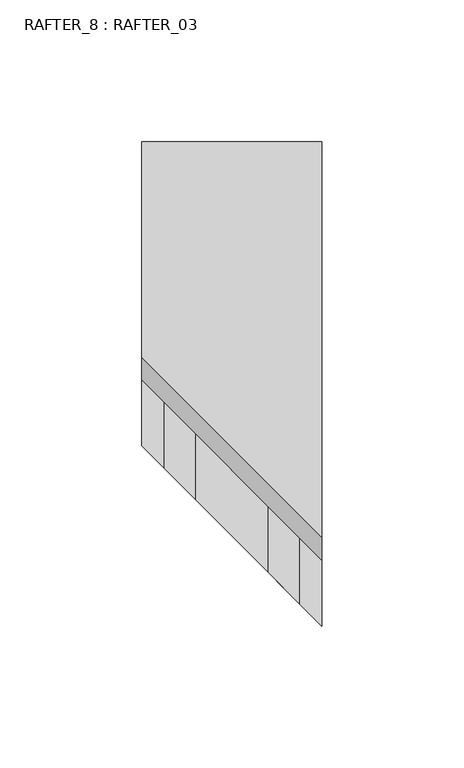
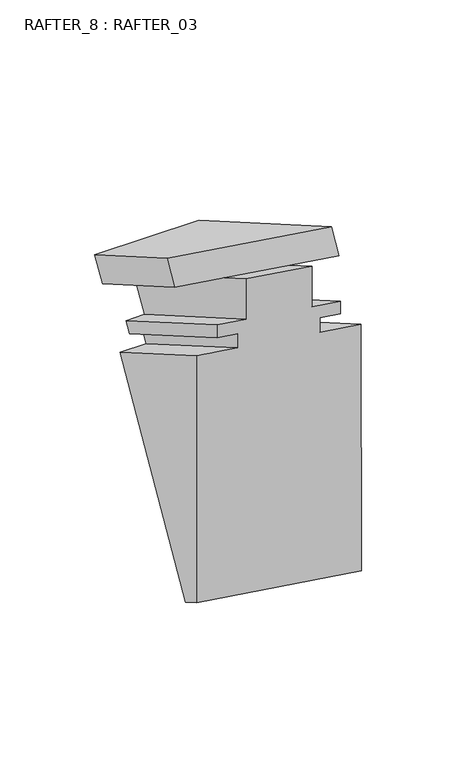
"""IFC4 building model written with IfcOpenShell, lengths in millimetres: proxy geometry, RAFTER_8 : RAFTER_03."""

import ifcopenshell
import ifcopenshell.guid

model = None  # the IFC model being written
_history = None  # IfcOwnerHistory: only IFC2X3 demands one
_inside = {}  # id of a spatial element -> (the spatial element, [elements in it])
_under = {}  # id of a project, library or spatial element -> (it, [spatial elements below it])
_declared = {}  # id of a project -> (the project, [libraries it declares])
_typed = {}  # id of a type object -> (the type object, [elements of that type])
_made_of = {}  # id of a material, layer set ... -> (it, [elements and type objects made of it])


def new_model(schema):
    """Start an empty IFC model of exactly this schema.

    Asked for "IFC4X3", IfcOpenShell would pick the latest addendum, in which some entities
    have other attributes; the version numbers below select the first issue.
    IFC2X3 requires an IfcOwnerHistory on every rooted entity: one is made here for all.
    """
    global model, _history
    if schema == "IFC4X3":
        model = ifcopenshell.file(schema_version=(4, 3, 0, 0))
    else:
        model = ifcopenshell.file(schema=schema)
    _inside.clear()
    _under.clear()
    _declared.clear()
    _typed.clear()
    _made_of.clear()
    _history = None
    if model.schema == "IFC2X3":
        org = make("IfcOrganization", Name="unknown")
        user = make(
            "IfcPersonAndOrganization",
            ThePerson=make("IfcPerson", FamilyName="unknown"),
            TheOrganization=org,
        )
        app = make(
            "IfcApplication",
            ApplicationDeveloper=org,
            Version="unknown",
            ApplicationFullName="unknown",
            ApplicationIdentifier="unknown",
        )
        _history = make(
            "IfcOwnerHistory",
            OwningUser=user,
            OwningApplication=app,
            ChangeAction="ADDED",
            CreationDate=0,
        )
    return model


def make(cls, **values):
    """One entity of the class cls with the attributes given. An attribute that is None is left unset."""
    return model.create_entity(
        cls, **{name: value for name, value in values.items() if value is not None}
    )


def rooted(cls, **values):
    """An entity with a GlobalId (a new one), such as an element, a storey or a relation."""
    return make(cls, GlobalId=ifcopenshell.guid.new(), OwnerHistory=_history, **values)


def si_unit(unit_type, name, prefix=None):
    """IfcSIUnit, for example si_unit("LENGTHUNIT", "METRE", prefix="MILLI")."""
    return make("IfcSIUnit", UnitType=unit_type, Prefix=prefix, Name=name)


def assignment(units):
    """IfcUnitAssignment: the units of a project."""
    return None if units is None else make("IfcUnitAssignment", Units=units)


def point(xyz):
    """IfcCartesianPoint."""
    return None if xyz is None else make("IfcCartesianPoint", Coordinates=xyz)


def direction(xyz):
    """IfcDirection."""
    return None if xyz is None else make("IfcDirection", DirectionRatios=xyz)


def frame(location, z_axis=None, x_axis=None):
    """IfcAxis2Placement3D, a coordinate frame: its origin and axes. An axis left out is left unset."""
    return make(
        "IfcAxis2Placement3D",
        Location=point(location),
        Axis=direction(z_axis),
        RefDirection=direction(x_axis),
    )


def origin():
    """The frame at (0, 0, 0) with its axes left unset."""
    return frame((0.0, 0.0, 0.0))


def place(relative_to, where):
    """IfcLocalPlacement: puts the frame where relative to a parent placement (None: the world)."""
    return make(
        "IfcLocalPlacement", PlacementRelTo=relative_to, RelativePlacement=where
    )


def context(
    kind, dimensions, precision=None, world=None, true_north=None, identifier=None
):
    """IfcGeometricRepresentationContext, for example the 3D "Model" context."""
    return make(
        "IfcGeometricRepresentationContext",
        ContextIdentifier=identifier,
        ContextType=kind,
        CoordinateSpaceDimension=dimensions,
        Precision=precision,
        WorldCoordinateSystem=world,
        TrueNorth=true_north,
    )


def project(units=None, contexts=None):
    """IfcProject with its units and contexts."""
    return rooted(
        "IfcProject",
        Name="project",
        RepresentationContexts=contexts,
        UnitsInContext=assignment(units),
    )


def spatial(cls, under=None, at=None, **own):
    """A site, building, storey or space (cls), placed at a placement, below another one or the project."""
    s = rooted(cls, ObjectPlacement=at, **own)
    if under is not None:
        _under.setdefault(under.id(), (under, []))[1].append(s)
    return s


def faces_of(points, faces, orient=None, outer=None):
    """IfcFace entities. A face is a list of loops; a loop is a list of indices into points, from 0.

    orient and outer hold one flag for each loop. By default every Orientation is true, the
    first loop of a face is its IfcFaceOuterBound and the others are IfcFaceBound.
    """
    made = []
    for i, loops in enumerate(faces):
        bounds = []
        for j, loop in enumerate(loops):
            is_outer = j == 0 if outer is None else outer[i][j]
            bounds.append(
                make(
                    "IfcFaceOuterBound" if is_outer else "IfcFaceBound",
                    Bound=make("IfcPolyLoop", Polygon=[points[k] for k in loop]),
                    Orientation=True if orient is None else orient[i][j],
                )
            )
        made.append(make("IfcFace", Bounds=bounds))
    return made


def faceted_brep(points, faces, orient=None, outer=None, voids=None):
    """IfcFacetedBrep: a solid bounded by flat faces; with voids (closed shells), ...WithVoids."""
    shared = [point(p) for p in points]
    hull = make("IfcClosedShell", CfsFaces=faces_of(shared, faces, orient, outer))
    if voids is None:
        return make("IfcFacetedBrep", Outer=hull)
    return make(
        "IfcFacetedBrepWithVoids",
        Outer=hull,
        Voids=[
            make(cls, CfsFaces=faces_of(shared, fs, o, b)) for cls, fs, o, b in voids
        ],
    )


def shape(context_of_items, identifier, shape_type, items):
    """IfcShapeRepresentation: the items that make up one representation, for example the "Body"."""
    return make(
        "IfcShapeRepresentation",
        ContextOfItems=context_of_items,
        RepresentationIdentifier=identifier,
        RepresentationType=shape_type,
        Items=items,
    )


def source(mapping_origin, context_of_items, identifier, shape_type, items):
    """IfcRepresentationMap: a shape defined once, which mapped items show again and again."""
    return make(
        "IfcRepresentationMap",
        MappingOrigin=mapping_origin,
        MappedRepresentation=shape(context_of_items, identifier, shape_type, items),
    )


def transform(
    local_origin,
    x_axis=None,
    y_axis=None,
    z_axis=None,
    scale=None,
    scale2=None,
    scale3=None,
    uniform=True,
):
    """IfcCartesianTransformationOperator3D, or its non-uniform kind. x_axis, y_axis, z_axis: its Axis1, 2, 3."""
    if uniform:
        return make(
            "IfcCartesianTransformationOperator3D",
            Axis1=direction(x_axis),
            Axis2=direction(y_axis),
            LocalOrigin=point(local_origin),
            Scale=scale,
            Axis3=direction(z_axis),
        )
    return make(
        "IfcCartesianTransformationOperator3DnonUniform",
        Axis1=direction(x_axis),
        Axis2=direction(y_axis),
        LocalOrigin=point(local_origin),
        Scale=scale,
        Axis3=direction(z_axis),
        Scale2=scale2,
        Scale3=scale3,
    )


def mapped(mapping_source, mapping_target):
    """IfcMappedItem: shows the shape of a source again, moved by a transform."""
    return make(
        "IfcMappedItem", MappingSource=mapping_source, MappingTarget=mapping_target
    )


def made_of(thing, what):
    """Note that an element or type object is made of a material, layer set ...; save() writes the relation."""
    if what is not None:
        _made_of.setdefault(what.id(), (what, []))[1].append(thing)
    return thing


def element(
    cls,
    number,
    at=None,
    inside=None,
    cuts=None,
    type_object=None,
    material=None,
    context=None,
    identifier="Body",
    shape_type=None,
    held_by="IfcProductDefinitionShape",
    body=None,
    shapes=None,
    **own,
):
    """One element of the class cls, such as IfcWall. Its Tag is "e" and its number.

    at: its placement. inside: the storey or other place that contains it. cuts: it is an
    opening in that element (IfcRelVoidsElement). A single representation is given by context,
    identifier, shape_type and body (its items); several are given by shapes. held_by: the class
    of the entity that holds the representations. save() writes the other relations.
    """
    e = rooted(cls, Tag="e%d" % number, ObjectPlacement=at, **own)
    if body is not None:
        shapes = [shape(context, identifier, shape_type, body)]
    if shapes is not None:
        e.Representation = make(held_by, Representations=shapes)
    if inside is not None:
        _inside.setdefault(inside.id(), (inside, []))[1].append(e)
    if cuts is not None:
        rooted(
            "IfcRelVoidsElement", RelatingBuildingElement=cuts, RelatedOpeningElement=e
        )
    if type_object is not None:
        _typed.setdefault(type_object.id(), (type_object, []))[1].append(e)
    return made_of(e, material)


def aggregate(whole, parts):
    """IfcRelAggregates: a whole, such as a stair, and the parts it consists of."""
    return rooted("IfcRelAggregates", RelatingObject=whole, RelatedObjects=parts)


def save(model, path):
    """Write the relations noted so far, then the file.

    IfcRelAggregates (storeys below a building ...), IfcRelContainedInSpatialStructure (elements
    in a storey), IfcRelDefinesByType, IfcRelAssociatesMaterial and IfcRelDeclares: one each for
    every whole, place, type object, material and project.
    """
    for whole, parts in _under.values():
        aggregate(whole, parts)
    for where, things in _inside.values():
        rooted(
            "IfcRelContainedInSpatialStructure",
            RelatedElements=things,
            RelatingStructure=where,
        )
    for kind, things in _typed.values():
        rooted("IfcRelDefinesByType", RelatedObjects=things, RelatingType=kind)
    for what, things in _made_of.values():
        rooted("IfcRelAssociatesMaterial", RelatedObjects=things, RelatingMaterial=what)
    for by, libraries in _declared.values():
        rooted("IfcRelDeclares", RelatingContext=by, RelatedDefinitions=libraries)
    model.write(path)


def rafter_8_rafter_03_a1daadbb(model_context):
    return source(origin(), model_context, "Body", "Brep", [
        faceted_brep([(2732.0386707, -9529.680619, 1717.675), (2732.0386707, -9537.6895565, 1703.8031133), (2712.9886707, -9537.6895565, 1703.8031133), (2712.9886707, -9548.9290565, 1684.3357283), (2724.1138707, -9548.9290565, 1684.3357283), (2724.1138707, -9552.5104565, 1678.1325615), (2716.1636707, -9552.5104565, 1678.1325615), (2716.1636707, -9556.4601565, 1671.2914804), (2732.0386707, -9556.4601565, 1671.2914804), (2732.0386707, -9625.1290565, 1552.3534567), (2668.5386707, -9625.1290565, 1552.3534567), (2668.5386707, -9556.4601565, 1671.2914804), (2684.4136707, -9556.4601565, 1671.2914804), (2684.4136707, -9552.5104565, 1678.1325615), (2676.4634707, -9552.5104565, 1678.1325615), (2676.4634707, -9548.9290565, 1684.3357283), (2687.5886707, -9548.9290565, 1684.3357283), (2687.5886707, -9537.6895565, 1703.8031133), (2668.5386707, -9537.6895565, 1703.8031133), (2668.5386707, -9529.680619, 1717.675), (2732.0386707, -9669.1270275, 1798.1844215), (2732.0386707, -9677.135965, 1784.3125349), (2712.9886707, -9658.085965, 1773.3140122), (2712.9886707, -9681.2753424, 1786.8234918), (2712.9886707, -9681.3306279, 1760.7778112), (2724.1138707, -9692.4558279, 1767.2009484), (2724.1138707, -9692.4567371, 1758.9305843), (2716.1636707, -9684.5065371, 1754.3405342), (2716.1636707, -9684.5075399, 1745.2196718), (2732.0386707, -9700.3825399, 1754.3851073), (2732.0386707, -9700.3999743, 1595.8111414), (2668.5386707, -9636.8999743, 1559.1493993), (2668.5386707, -9636.8825399, 1717.7233652), (2684.4136707, -9652.7575399, 1726.8888007), (2684.4136707, -9652.7565371, 1736.0096632), (2676.4634707, -9644.8063371, 1731.4196131), (2676.4634707, -9644.8054279, 1739.6899771), (2687.5886707, -9655.9306279, 1746.1131143), (2687.5886707, -9655.9277743, 1772.0679802), (2687.5886707, -9632.6335331, 1758.7401301), (2668.5386707, -9613.635965, 1747.6507928), (2668.5386707, -9605.6270275, 1761.5226794)], [[[0, 1, 2, 3, 4, 5, 6, 7, 8, 9, 10, 11, 12, 13, 14, 15, 16, 17, 18, 19]], [[1, 0, 20, 21]], [[2, 1, 21, 22]], [[3, 2, 22, 23, 24]], [[4, 3, 24, 25]], [[5, 4, 25, 26]], [[6, 5, 26, 27]], [[7, 6, 27, 28]], [[8, 7, 28, 29]], [[9, 8, 29, 30]], [[10, 9, 30, 31]], [[11, 10, 31, 32]], [[12, 11, 32, 33]], [[13, 12, 33, 34]], [[14, 13, 34, 35]], [[15, 14, 35, 36]], [[16, 15, 36, 37]], [[17, 16, 37, 38, 39]], [[18, 17, 39, 40]], [[19, 18, 40, 41]], [[0, 19, 41, 20]], [[24, 23, 38, 37, 36, 35, 34, 33, 32, 31, 30, 29, 28, 27, 26, 25]], [[39, 22, 21, 20, 41, 40]], [[22, 39, 38, 23]]]),
    ])


if __name__ == "__main__":
    model = new_model("IFC4")
    model_context = context("Model", 3, world=origin())
    ifc_project = project(units=[si_unit("LENGTHUNIT", "METRE", prefix="MILLI")], contexts=[model_context])
    site = spatial("IfcSite", under=ifc_project)
    building = spatial("IfcBuilding", under=site)
    placement = place(None, origin())
    rafter_8_rafter_03_shape = rafter_8_rafter_03_a1daadbb(model_context)
    element("IfcBuildingElementProxy", 1, Name="RAFTER_8 : RAFTER_03", ObjectType="RAFTER_8 : RAFTER_03", at=placement, inside=building, context=model_context, shape_type="MappedRepresentation", body=[
        mapped(rafter_8_rafter_03_shape, transform((0.0, 0.0, 0.0), x_axis=(1.0, 0.0, 0.0), y_axis=(0.0, 1.0, 0.0), z_axis=(0.0, 0.0, 1.0))),
    ])
    save(model, "model.ifc")
